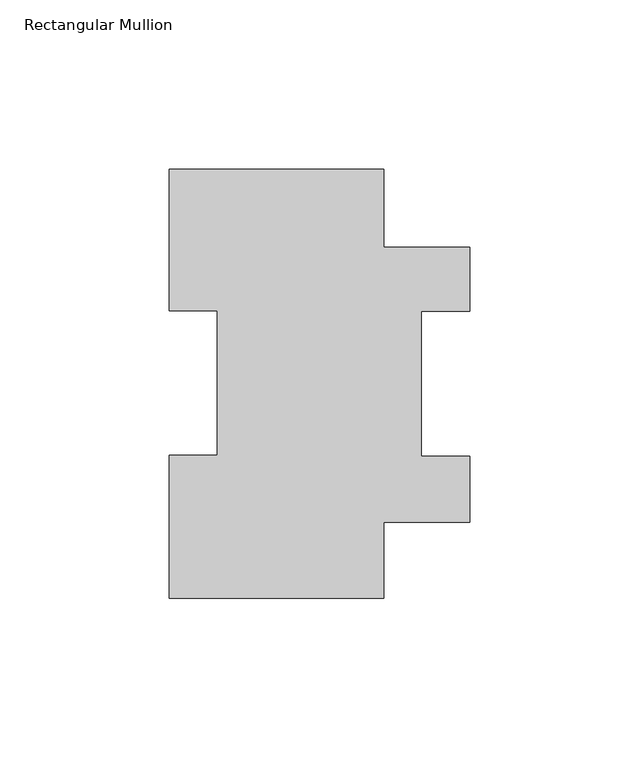
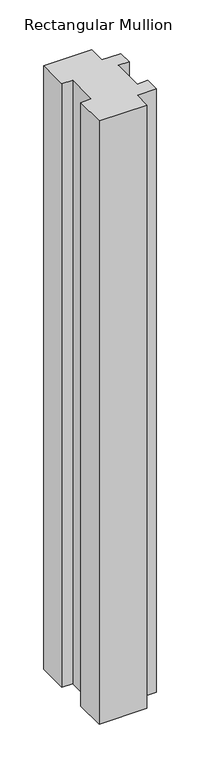
"""IFC4 building model written with IfcOpenShell, lengths in millimetres: member geometry, Rectangular Mullion."""

from ifc_helpers import new_model, si_unit, frame, origin, place, context, project, spatial, polyline, outline, extrude, source, transform, mapped, element, save


def rectangular_mullion_2cf3c463(model_context):
    return source(origin(), model_context, "Body", "SweptSolid", [
        extrude(outline(polyline([(31.75, 126.9888875), (31.75, 103.9296055), (57.15, 103.9296055), (57.15, 84.8796055), (42.86504, 84.8796055), (42.86504, 42.0258875), (57.15, 42.0258875), (57.15, 22.5440875), (31.75, 22.5440875), (31.75, -0.0111125), (-31.75, -0.0111125), (-31.75, 42.2798875), (-17.4625, 42.2798875), (-17.4625, 85.1296875), (-31.75, 85.1296875), (-31.75, 126.9888875), (31.75, 126.9888875)])), frame((0.0, 0.0, -844.55), z_axis=(0.0, 0.0, 1.0), x_axis=(1.0, 0.0, 0.0)), (0.0, 0.0, 1.0), 844.55),
    ])


if __name__ == "__main__":
    model = new_model("IFC4")
    model_context = context("Model", 3, world=origin())
    ifc_project = project(units=[si_unit("LENGTHUNIT", "METRE", prefix="MILLI")], contexts=[model_context])
    site = spatial("IfcSite", under=ifc_project)
    building = spatial("IfcBuilding", under=site)
    placement = place(None, origin())
    rectangular_mullion_shape = rectangular_mullion_2cf3c463(model_context)
    element("IfcMember", 1, ObjectType="Rectangular Mullion", at=placement, inside=building, context=model_context, shape_type="MappedRepresentation", body=[
        mapped(rectangular_mullion_shape, transform((0.0, 0.0, 0.0), x_axis=(1.0, 0.0, 0.0), y_axis=(0.0, 1.0, 0.0), z_axis=(0.0, 0.0, 1.0))),
    ])
    save(model, "model.ifc")
